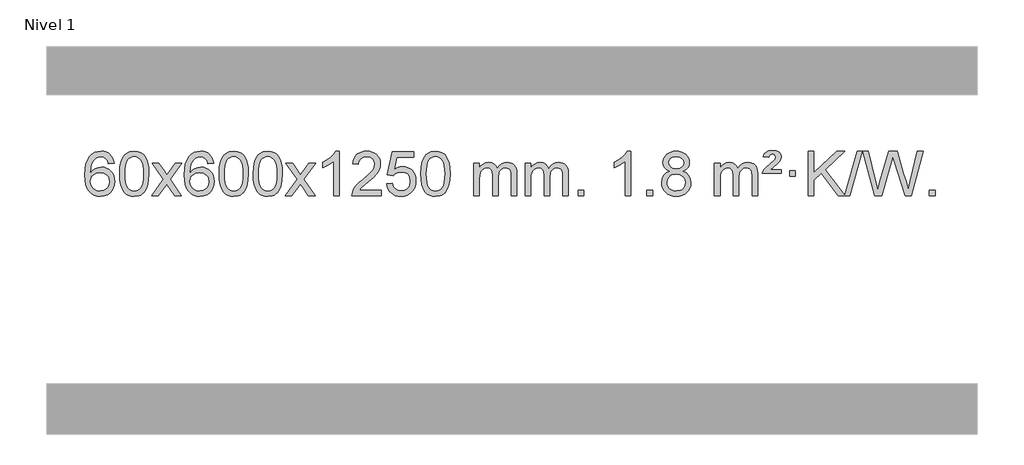
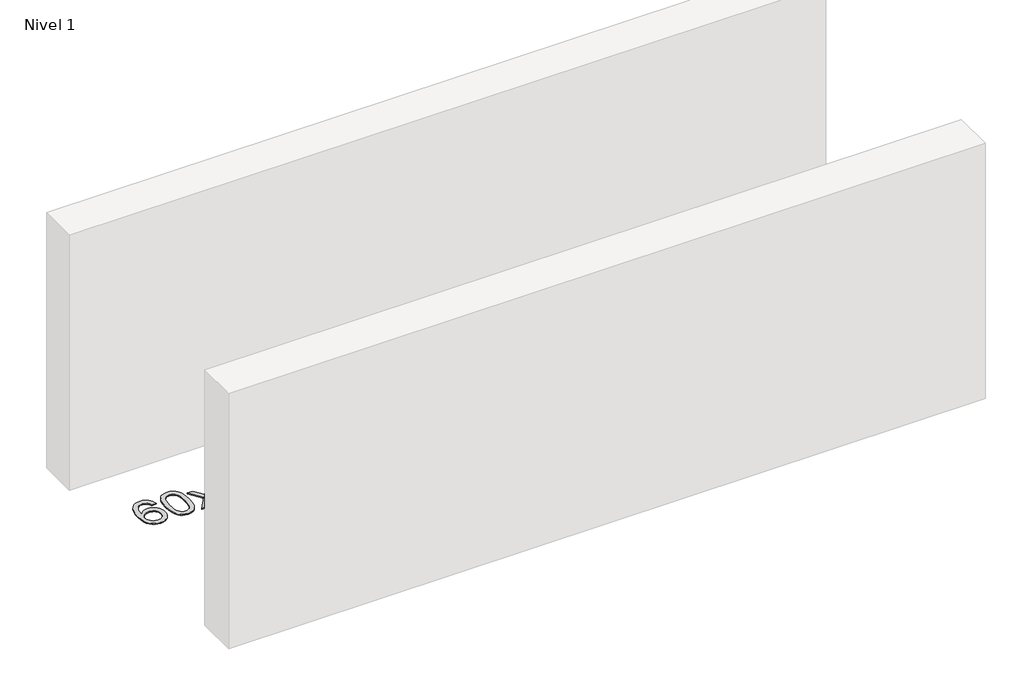
# One storey, part 6 of 8: 1 proxy.
"""IFC4 building model written with IfcOpenShell, lengths in millimetres."""

from ifc_helpers import new_model, si_unit, origin, origin_with_axes, place, context, project, spatial, polyline, outline, extrude, element, save

model = new_model("IFC4")

# Units and contexts
model_context = context("Model", 3, world=origin())
ifc_project = project(units=[si_unit("LENGTHUNIT", "METRE", prefix="MILLI")], contexts=[model_context])

# Site, building, storey
site = spatial("IfcSite", under=ifc_project)
building = spatial("IfcBuilding", under=site)
storey = spatial("IfcBuildingStorey", under=building, Name="Nivel 1", Elevation=0.0)

# Proxy
placement = place(None, origin())
element("IfcBuildingElementProxy", 1, Name="Texto de modelo 1", ObjectType="Texto de modelo 1", at=placement, inside=storey, context=model_context, shape_type="SweptSolid", body=[
    extrude(outline(polyline([(-25568.7310862, 5929.5109581), (-25618.9592412, 5923.2324387), (-25627.0526451, 5948.125787), (-25637.9910031, 5965.1219352), (-25660.7751614, 5980.7937082), (-25688.3172601, 5986.0176325), (-25711.665504, 5982.9764747), (-25733.6403219, 5973.8530012), (-25752.5126682, 5954.6372983), (-25767.9269238, 5928.1865829), (-25778.3379843, 5890.772984), (-25782.2007452, 5838.6686307), (-25762.0530746, 5862.1762902), (-25737.907753, 5878.7432427), (-25711.113681, 5888.565692), (-25683.0197593, 5891.8398418), (-25658.8867005, 5889.601893), (-25636.617577, 5882.8880466), (-25616.212389, 5871.6983025), (-25597.6711365, 5856.0326609), (-25582.2630122, 5836.8230894), (-25571.2572092, 5815.0015557), (-25564.6537274, 5790.5680599), (-25562.4525668, 5763.5226018), (-25566.5973706, 5727.5560055), (-25579.031782, 5694.213634), (-25598.7257315, 5665.9357713), (-25624.6491494, 5645.1627013), (-25655.6248134, 5632.397196), (-25690.4755011, 5628.1420276), (-25720.4180298, 5630.9624563), (-25747.4604222, 5639.4237421), (-25771.6026781, 5653.5258853), (-25792.8447976, 5673.2688857), (-25810.1628426, 5699.4866092), (-25822.5328746, 5733.0129217), (-25829.9548939, 5773.8478232), (-25832.4289003, 5821.9913136), (-25829.6820481, 5875.9657337), (-25821.4414914, 5922.0306908), (-25807.7072302, 5960.1861851), (-25788.4792646, 5990.4322165), (-25767.6387496, 6010.4756538), (-25743.4750339, 6024.7923948), (-25715.9881175, 6033.3824394), (-25685.1780004, 6036.2457876), (-25662.0443542, 6034.4738227), (-25641.1057374, 6029.1579278), (-25622.3621497, 6020.2981031), (-25605.8135913, 6007.8943485), (-25591.9076519, 5992.3635969), (-25581.0919212, 5974.1227814), (-25573.3663993, 5953.1719017), (-25568.7310862, 5929.5109581)]), holes=[polyline([(-25782.2007452, 5764.3074168), (-25779.2944775, 5742.0505561), (-25770.5756742, 5720.7992395), (-25757.0376168, 5702.527767), (-25739.6735866, 5689.2104388), (-25718.7165756, 5681.0802467), (-25694.3995757, 5678.3701827), (-25661.253408, 5683.9865145), (-25647.3382715, 5691.0069292), (-25635.1951, 5700.8355099), (-25625.3450595, 5713.0737176), (-25618.3093164, 5727.3230135), (-25612.6807219, 5761.8548701), (-25618.23574, 5795.0010379), (-25625.1795126, 5808.6218688), (-25634.9007944, 5820.274531), (-25647.0807541, 5829.6095366), (-25661.4005608, 5836.2773978), (-25696.4597149, 5841.6116867), (-25729.5568317, 5836.2773978), (-25757.2338205, 5820.274531), (-25768.1568501, 5808.7751529), (-25775.9590141, 5795.6141746), (-25780.6403124, 5780.7915958), (-25782.2007452, 5764.3074168)])]), origin_with_axes(), (0.0, 0.0, 1.0), 10.0),
    extrude(outline(polyline([(-25518.5029311, 5832.0958057), (-25514.8118484, 5896.4138412), (-25503.7386004, 5947.7088541), (-25485.3935515, 5986.7656593), (-25473.5354886, 6001.9990395), (-25459.8870665, 6014.3690716), (-25444.4023002, 6023.9401349), (-25427.0352044, 6030.7766086), (-25386.654024, 6036.2457876), (-25355.7028855, 6033.008426), (-25327.9891085, 6023.2963414), (-25304.8125428, 6007.4896783), (-25287.4730381, 5985.9685816), (-25274.3764391, 5958.9169922), (-25263.9285904, 5926.5188512), (-25257.0859853, 5885.3773814), (-25254.805117, 5832.0958057), (-25258.4594114, 5768.1456523), (-25269.4222949, 5716.9732667), (-25287.6569791, 5677.8796734), (-25299.487451, 5662.6003078), (-25313.1266759, 5650.1658964), (-25328.6298363, 5640.5304538), (-25346.0521145, 5633.6479948), (-25386.654024, 5628.1420276), (-25414.3187501, 5630.5332606), (-25438.8442164, 5637.7069595), (-25460.2304231, 5649.6631243), (-25478.47737, 5666.4017551), (-25495.988553, 5696.6600492), (-25508.4965408, 5734.3618224), (-25516.0013335, 5779.5070745), (-25518.5029311, 5832.0958057)]), holes=[polyline([(-25468.274776, 5832.1939076), (-25466.803248, 5788.5293805), (-25462.3886641, 5753.1851178), (-25455.0310242, 5726.1611196), (-25444.7303283, 5707.4573858), (-25432.2713914, 5694.7317344), (-25418.4390284, 5685.6419835), (-25403.2332393, 5680.1881329), (-25386.654024, 5678.3701827), (-25370.0748088, 5680.1942643), (-25354.8690196, 5685.6665089), (-25341.0366566, 5694.7869167), (-25328.5777197, 5707.5554876), (-25318.2770239, 5726.2898783), (-25310.919384, 5753.3077451), (-25306.5048, 5788.6090882), (-25305.033272, 5832.1939076), (-25306.4557491, 5874.7026722), (-25310.7231802, 5909.4246011), (-25317.8355655, 5936.3596945), (-25327.7929048, 5955.5079524), (-25340.0433752, 5968.8559375), (-25354.0351538, 5978.3902125), (-25369.7682404, 5984.1107775), (-25387.2426352, 5986.0176325), (-25403.7360113, 5984.3376381), (-25418.6842831, 5979.2976548), (-25432.0874504, 5970.8976825), (-25443.9455134, 5959.1377214), (-25454.5895658, 5938.291075), (-25462.1924604, 5910.1848906), (-25466.7541971, 5874.8191681), (-25468.274776, 5832.1939076)])]), origin_with_axes(), (0.0, 0.0, 1.0), 10.0),
    extrude(outline(polyline([(-25229.6910394, 5634.420547), (-25122.3675987, 5782.7505675), (-25223.41252, 5929.5109581), (-25162.981771, 5929.5109581), (-25114.2251439, 5858.877615), (-25091.4655111, 5825.5229808), (-25071.7470362, 5852.7952993), (-25016.2213804, 5929.5109581), (-24955.7906313, 5929.5109581), (-25061.9368496, 5782.7505675), (-24959.7147059, 5634.420547), (-25020.145455, 5634.420547), (-25081.6553246, 5723.5951426), (-25092.9370391, 5739.8800523), (-25169.2602903, 5634.420547), (-25229.6910394, 5634.420547)])), origin_with_axes(), (0.0, 0.0, 1.0), 10.0),
    extrude(outline(polyline([(-24670.9028142, 5929.5109581), (-24721.1309693, 5923.2324387), (-24729.2243732, 5948.125787), (-24740.1627312, 5965.1219352), (-24762.9468894, 5980.7937082), (-24790.4889881, 5986.0176325), (-24813.8372321, 5982.9764747), (-24835.8120499, 5973.8530012), (-24854.6843963, 5954.6372983), (-24870.0986519, 5928.1865829), (-24880.5097123, 5890.772984), (-24884.3724733, 5838.6686307), (-24864.2248027, 5862.1762902), (-24840.0794811, 5878.7432427), (-24813.2854091, 5888.565692), (-24785.1914874, 5891.8398418), (-24761.0584285, 5889.601893), (-24738.7893051, 5882.8880466), (-24718.3841171, 5871.6983025), (-24699.8428645, 5856.0326609), (-24684.4347403, 5836.8230894), (-24673.4289372, 5815.0015557), (-24666.8254554, 5790.5680599), (-24664.6242948, 5763.5226018), (-24668.7690986, 5727.5560055), (-24681.2035101, 5694.213634), (-24700.8974596, 5665.9357713), (-24726.8208775, 5645.1627013), (-24757.7965415, 5632.397196), (-24792.6472291, 5628.1420276), (-24822.5897579, 5630.9624563), (-24849.6321502, 5639.4237421), (-24873.7744061, 5653.5258853), (-24895.0165257, 5673.2688857), (-24912.3345706, 5699.4866092), (-24924.7046027, 5733.0129217), (-24932.1266219, 5773.8478232), (-24934.6006284, 5821.9913136), (-24931.8537761, 5875.9657337), (-24923.6132194, 5922.0306908), (-24909.8789583, 5960.1861851), (-24890.6509927, 5990.4322165), (-24869.8104776, 6010.4756538), (-24845.6467619, 6024.7923948), (-24818.1598455, 6033.3824394), (-24787.3497284, 6036.2457876), (-24764.2160823, 6034.4738227), (-24743.2774654, 6029.1579278), (-24724.5338777, 6020.2981031), (-24707.9853193, 6007.8943485), (-24694.0793799, 5992.3635969), (-24683.2636492, 5974.1227814), (-24675.5381274, 5953.1719017), (-24670.9028142, 5929.5109581)]), holes=[polyline([(-24884.3724733, 5764.3074168), (-24881.4662055, 5742.0505561), (-24872.7474022, 5720.7992395), (-24859.2093448, 5702.527767), (-24841.8453146, 5689.2104388), (-24820.8883036, 5681.0802467), (-24796.5713038, 5678.3701827), (-24763.425136, 5683.9865145), (-24749.5099995, 5691.0069292), (-24737.366828, 5700.8355099), (-24727.5167876, 5713.0737176), (-24720.4810444, 5727.3230135), (-24714.8524499, 5761.8548701), (-24720.407468, 5795.0010379), (-24727.3512407, 5808.6218688), (-24737.0725224, 5820.274531), (-24749.2524821, 5829.6095366), (-24763.5722888, 5836.2773978), (-24798.6314429, 5841.6116867), (-24831.7285598, 5836.2773978), (-24859.4055485, 5820.274531), (-24870.3285781, 5808.7751529), (-24878.1307421, 5795.6141746), (-24882.8120405, 5780.7915958), (-24884.3724733, 5764.3074168)])]), origin_with_axes(), (0.0, 0.0, 1.0), 10.0),
    extrude(outline(polyline([(-24620.6746591, 5832.0958057), (-24616.9835765, 5896.4138412), (-24605.9103284, 5947.7088541), (-24587.5652796, 5986.7656593), (-24575.7072166, 6001.9990395), (-24562.0587946, 6014.3690716), (-24546.5740283, 6023.9401349), (-24529.2069324, 6030.7766086), (-24488.8257521, 6036.2457876), (-24457.8746135, 6033.008426), (-24430.1608366, 6023.2963414), (-24406.9842709, 6007.4896783), (-24389.6447662, 5985.9685816), (-24376.5481671, 5958.9169922), (-24366.1003185, 5926.5188512), (-24359.2577134, 5885.3773814), (-24356.976845, 5832.0958057), (-24360.6311395, 5768.1456523), (-24371.5940229, 5716.9732667), (-24389.8287072, 5677.8796734), (-24401.659179, 5662.6003078), (-24415.298404, 5650.1658964), (-24430.8015644, 5640.5304538), (-24448.2238425, 5633.6479948), (-24488.8257521, 5628.1420276), (-24516.4904781, 5630.5332606), (-24541.0159444, 5637.7069595), (-24562.4021511, 5649.6631243), (-24580.6490981, 5666.4017551), (-24598.160281, 5696.6600492), (-24610.6682689, 5734.3618224), (-24618.1730616, 5779.5070745), (-24620.6746591, 5832.0958057)]), holes=[polyline([(-24570.4465041, 5832.1939076), (-24568.9749761, 5788.5293805), (-24564.5603921, 5753.1851178), (-24557.2027522, 5726.1611196), (-24546.9020564, 5707.4573858), (-24534.4431195, 5694.7317344), (-24520.6107564, 5685.6419835), (-24505.4049673, 5680.1881329), (-24488.8257521, 5678.3701827), (-24472.2465368, 5680.1942643), (-24457.0407477, 5685.6665089), (-24443.2083847, 5694.7869167), (-24430.7494478, 5707.5554876), (-24420.4487519, 5726.2898783), (-24413.091112, 5753.3077451), (-24408.676528, 5788.6090882), (-24407.2050001, 5832.1939076), (-24408.6274771, 5874.7026722), (-24412.8949083, 5909.4246011), (-24420.0072935, 5936.3596945), (-24429.9646328, 5955.5079524), (-24442.2151033, 5968.8559375), (-24456.2068818, 5978.3902125), (-24471.9399685, 5984.1107775), (-24489.4143633, 5986.0176325), (-24505.9077394, 5984.3376381), (-24520.8560111, 5979.2976548), (-24534.2591785, 5970.8976825), (-24546.1172414, 5959.1377214), (-24556.7612938, 5938.291075), (-24564.3641884, 5910.1848906), (-24568.9259251, 5874.8191681), (-24570.4465041, 5832.1939076)])]), origin_with_axes(), (0.0, 0.0, 1.0), 10.0),
    extrude(outline(polyline([(-24313.0272093, 5832.0958057), (-24309.3361266, 5896.4138412), (-24298.2628786, 5947.7088541), (-24279.9178297, 5986.7656593), (-24268.0597668, 6001.9990395), (-24254.4113447, 6014.3690716), (-24238.9265784, 6023.9401349), (-24221.5594826, 6030.7766086), (-24181.1783022, 6036.2457876), (-24150.2271637, 6033.008426), (-24122.5133867, 6023.2963414), (-24099.336821, 6007.4896783), (-24081.9973163, 5985.9685816), (-24068.9007173, 5958.9169922), (-24058.4528686, 5926.5188512), (-24051.6102635, 5885.3773814), (-24049.3293952, 5832.0958057), (-24052.9836896, 5768.1456523), (-24063.9465731, 5716.9732667), (-24082.1812573, 5677.8796734), (-24094.0117292, 5662.6003078), (-24107.6509541, 5650.1658964), (-24123.1541145, 5640.5304538), (-24140.5763927, 5633.6479948), (-24181.1783022, 5628.1420276), (-24208.8430283, 5630.5332606), (-24233.3684946, 5637.7069595), (-24254.7547013, 5649.6631243), (-24273.0016482, 5666.4017551), (-24290.5128312, 5696.6600492), (-24303.020819, 5734.3618224), (-24310.5256117, 5779.5070745), (-24313.0272093, 5832.0958057)]), holes=[polyline([(-24262.7990542, 5832.1939076), (-24261.3275262, 5788.5293805), (-24256.9129423, 5753.1851178), (-24249.5553024, 5726.1611196), (-24239.2546065, 5707.4573858), (-24226.7956696, 5694.7317344), (-24212.9633066, 5685.6419835), (-24197.7575175, 5680.1881329), (-24181.1783022, 5678.3701827), (-24164.599087, 5680.1942643), (-24149.3932978, 5685.6665089), (-24135.5609348, 5694.7869167), (-24123.1019979, 5707.5554876), (-24112.8013021, 5726.2898783), (-24105.4436622, 5753.3077451), (-24101.0290782, 5788.6090882), (-24099.5575502, 5832.1939076), (-24100.9800273, 5874.7026722), (-24105.2474584, 5909.4246011), (-24112.3598437, 5936.3596945), (-24122.317183, 5955.5079524), (-24134.5676534, 5968.8559375), (-24148.559432, 5978.3902125), (-24164.2925187, 5984.1107775), (-24181.7669134, 5986.0176325), (-24198.2602895, 5984.3376381), (-24213.2085613, 5979.2976548), (-24226.6117286, 5970.8976825), (-24238.4697916, 5959.1377214), (-24249.113844, 5938.291075), (-24256.7167386, 5910.1848906), (-24261.2784753, 5874.8191681), (-24262.7990542, 5832.1939076)])]), origin_with_axes(), (0.0, 0.0, 1.0), 10.0),
    extrude(outline(polyline([(-24024.2153176, 5634.420547), (-23916.8918769, 5782.7505675), (-24017.9367982, 5929.5109581), (-23957.5060492, 5929.5109581), (-23908.7494221, 5858.877615), (-23885.9897893, 5825.5229808), (-23866.2713144, 5852.7952993), (-23810.7456586, 5929.5109581), (-23750.3149095, 5929.5109581), (-23856.4611278, 5782.7505675), (-23754.2389841, 5634.420547), (-23814.6697332, 5634.420547), (-23876.1796028, 5723.5951426), (-23887.4613173, 5739.8800523), (-23963.7845685, 5634.420547), (-24024.2153176, 5634.420547)])), origin_with_axes(), (0.0, 0.0, 1.0), 10.0),
    extrude(outline(polyline([(-23534.4908056, 5634.420547), (-23584.7189607, 5634.420547), (-23584.7189607, 5947.5617013), (-23605.6882344, 5930.6023413), (-23632.2983654, 5913.6675068), (-23685.1752709, 5888.3081746), (-23685.1752709, 5935.7894775), (-23645.7260583, 5957.2492605), (-23611.5498209, 5982.780271), (-23584.6085961, 6009.9299622), (-23566.8644212, 6036.2457876), (-23534.4908056, 6036.2457876), (-23534.4908056, 5634.420547)])), origin_with_axes(), (0.0, 0.0, 1.0), 10.0),
    extrude(outline(polyline([(-23157.7796426, 5684.6487021), (-23157.7796426, 5634.420547), (-23421.4774567, 5634.420547), (-23420.3738107, 5652.1034082), (-23416.0818541, 5669.0505055), (-23403.6964936, 5696.1143576), (-23385.572174, 5722.3688693), (-23359.3544505, 5749.8496544), (-23322.6888783, 5780.5923264), (-23268.4875977, 5828.7358169), (-23235.9668293, 5864.2732176), (-23219.7064451, 5893.115166), (-23214.286317, 5921.1722995), (-23219.3998768, 5946.3231653), (-23234.740556, 5967.2311253), (-23258.3217919, 5981.3210057), (-23288.1570217, 5986.0176325), (-23319.4883049, 5981.4313703), (-23343.8298303, 5967.6725837), (-23359.5383915, 5945.8203932), (-23364.9707823, 5916.9539193), (-23415.1989373, 5923.2324387), (-23410.8793896, 5949.161988), (-23403.0220433, 5971.8173875), (-23391.6268985, 5991.1986373), (-23376.6939552, 6007.3057373), (-23358.5665699, 6019.9670093), (-23337.5880991, 6029.010775), (-23313.7585429, 6034.4370345), (-23287.0779012, 6036.2457876), (-23260.1581362, 6034.2346994), (-23236.1998212, 6028.2014346), (-23215.2029563, 6018.1459934), (-23197.1675415, 6004.0683758), (-23182.682188, 5987.0109139), (-23172.3355069, 5968.0159402), (-23166.1274982, 5947.0834547), (-23164.058162, 5924.2134573), (-23166.2899794, 5900.1907631), (-23172.9854317, 5876.5850017), (-23184.8680202, 5852.5745701), (-23202.661246, 5827.3378653), (-23231.0249478, 5797.2083299), (-23274.6189643, 5758.5194067), (-23332.400963, 5710.204238), (-23355.0624939, 5684.6487021), (-23157.7796426, 5684.6487021)])), origin_with_axes(), (0.0, 0.0, 1.0), 10.0),
    extrude(outline(polyline([(-23107.5514875, 5741.1553765), (-23057.3233324, 5747.4338959), (-23048.1017571, 5717.2798351), (-23032.0130512, 5695.6851619), (-23009.1307911, 5682.6989275), (-22979.5285532, 5678.3701827), (-22960.3986894, 5679.8754332), (-22943.5251686, 5684.3911847), (-22928.9079907, 5691.9174372), (-22916.5471556, 5702.4541906), (-22906.718575, 5715.480279), (-22899.6981602, 5730.4745359), (-22894.0818284, 5766.3675559), (-22899.342541, 5800.1636486), (-22905.9184316, 5814.0818507), (-22915.1246786, 5826.0134901), (-22926.9919386, 5835.5845533), (-22941.5508686, 5842.4210271), (-22978.7437383, 5847.8902061), (-23003.1097891, 5845.7074396), (-23022.8405268, 5839.1591401), (-23038.5981389, 5829.1282243), (-23051.044813, 5816.4976092), (-23101.2729681, 5822.7761285), (-23057.3233324, 6029.9672682), (-22862.6892315, 6029.9672682), (-22862.6892315, 5979.7391131), (-23016.7091602, 5979.7391131), (-23038.1934687, 5869.080209), (-23020.4676879, 5881.7844006), (-23002.3127114, 5890.8588231), (-22983.7285393, 5896.3034766), (-22964.7151715, 5898.1183612), (-22940.2540845, 5895.8681496), (-22917.7856917, 5889.117515), (-22897.3099929, 5877.8664573), (-22878.8269884, 5862.1149766), (-22863.5261631, 5842.8256973), (-22852.5970021, 5820.961244), (-22846.0395056, 5796.5216168), (-22843.8536734, 5769.5068156), (-22845.821842, 5743.4852958), (-22851.7263481, 5719.2786606), (-22861.5671914, 5696.8869098), (-22875.3443722, 5676.3100435), (-22896.215544, 5655.2365366), (-22920.5693321, 5640.1840316), (-22948.4057364, 5631.1525286), (-22979.7247569, 5628.1420276), (-23005.6451092, 5630.0764738), (-23029.0577325, 5635.8798123), (-23049.9626268, 5645.552043), (-23068.3597923, 5659.0931662), (-23083.666749, 5675.8287312), (-23095.3010171, 5695.084288), (-23103.2625966, 5716.8598364), (-23107.5514875, 5741.1553765)])), origin_with_axes(), (0.0, 0.0, 1.0), 10.0),
    extrude(outline(polyline([(-22799.9040377, 5832.0958057), (-22796.212955, 5896.4138412), (-22785.1397069, 5947.7088541), (-22766.7946581, 5986.7656593), (-22754.9365951, 6001.9990395), (-22741.2881731, 6014.3690716), (-22725.8034068, 6023.9401349), (-22708.4363109, 6030.7766086), (-22668.0551306, 6036.2457876), (-22637.1039921, 6033.008426), (-22609.3902151, 6023.2963414), (-22586.2136494, 6007.4896783), (-22568.8741447, 5985.9685816), (-22555.7775457, 5958.9169922), (-22545.329697, 5926.5188512), (-22538.4870919, 5885.3773814), (-22536.2062235, 5832.0958057), (-22539.860518, 5768.1456523), (-22550.8234015, 5716.9732667), (-22569.0580857, 5677.8796734), (-22580.8885575, 5662.6003078), (-22594.5277825, 5650.1658964), (-22610.0309429, 5640.5304538), (-22627.4532211, 5633.6479948), (-22668.0551306, 5628.1420276), (-22695.7198566, 5630.5332606), (-22720.245323, 5637.7069595), (-22741.6315296, 5649.6631243), (-22759.8784766, 5666.4017551), (-22777.3896596, 5696.6600492), (-22789.8976474, 5734.3618224), (-22797.4024401, 5779.5070745), (-22799.9040377, 5832.0958057)]), holes=[polyline([(-22749.6758826, 5832.1939076), (-22748.2043546, 5788.5293805), (-22743.7897707, 5753.1851178), (-22736.4321308, 5726.1611196), (-22726.1314349, 5707.4573858), (-22713.672498, 5694.7317344), (-22699.840135, 5685.6419835), (-22684.6343459, 5680.1881329), (-22668.0551306, 5678.3701827), (-22651.4759154, 5680.1942643), (-22636.2701262, 5685.6665089), (-22622.4377632, 5694.7869167), (-22609.9788263, 5707.5554876), (-22599.6781304, 5726.2898783), (-22592.3204905, 5753.3077451), (-22587.9059066, 5788.6090882), (-22586.4343786, 5832.1939076), (-22587.8568557, 5874.7026722), (-22592.1242868, 5909.4246011), (-22599.236672, 5936.3596945), (-22609.1940114, 5955.5079524), (-22621.4444818, 5968.8559375), (-22635.4362604, 5978.3902125), (-22651.169347, 5984.1107775), (-22668.6437418, 5986.0176325), (-22685.1371179, 5984.3376381), (-22700.0853897, 5979.2976548), (-22713.488557, 5970.8976825), (-22725.34662, 5959.1377214), (-22735.9906724, 5938.291075), (-22743.5935669, 5910.1848906), (-22748.1553037, 5874.8191681), (-22749.6758826, 5832.1939076)])]), origin_with_axes(), (0.0, 0.0, 1.0), 10.0),
    extrude(outline(polyline([(-22322.7365645, 5634.420547), (-22322.7365645, 5929.5109581), (-22272.5084094, 5929.5109581), (-22272.5084094, 5880.9505347), (-22257.4007221, 5903.2564463), (-22237.9765528, 5920.7308411), (-22214.8980889, 5932.0248184), (-22188.8275182, 5935.7894775), (-22160.8930121, 5931.951242), (-22138.5012613, 5920.4365355), (-22121.7748932, 5902.0056476), (-22110.8365352, 5877.4188676), (-22092.5282746, 5902.9560094), (-22071.64484, 5921.196825), (-22048.1862315, 5932.1413143), (-22022.1524489, 5935.7894775), (-22002.0446322, 5934.2719642), (-21984.3954935, 5929.7194245), (-21969.2050328, 5922.1318584), (-21956.4732501, 5911.5092658), (-21946.4086118, 5897.7290194), (-21939.2195845, 5880.6684918), (-21934.9061681, 5860.3276832), (-21933.4683626, 5836.7065934), (-21933.4683626, 5634.420547), (-21983.6965177, 5634.420547), (-21983.6965177, 5815.124183), (-21984.8614774, 5840.1769469), (-21988.3563563, 5857.0627305), (-21994.9046558, 5868.6264879), (-22005.2298772, 5877.7131732), (-22018.5104172, 5883.5992851), (-22033.9246728, 5885.5613224), (-22061.1356777, 5880.5336018), (-22083.318962, 5865.45044), (-22091.924335, 5853.8805512), (-22098.07103, 5839.2817674), (-22102.988386, 5800.9975144), (-22102.988386, 5634.420547), (-22153.2165411, 5634.420547), (-22153.2165411, 5820.7159894), (-22156.1228088, 5849.1164794), (-22164.8416121, 5869.3745146), (-22180.1822913, 5881.5146204), (-22202.9541868, 5885.5613224), (-22222.3047798, 5882.8635211), (-22240.1347938, 5874.7701172), (-22254.8500736, 5861.4773144), (-22264.8564639, 5843.1813165), (-22270.595423, 5817.7974589), (-22272.5084094, 5783.2410768), (-22272.5084094, 5634.420547), (-22322.7365645, 5634.420547)])), origin_with_axes(), (0.0, 0.0, 1.0), 10.0),
    extrude(outline(polyline([(-21858.12613, 5634.420547), (-21858.12613, 5929.5109581), (-21807.8979749, 5929.5109581), (-21807.8979749, 5880.9505347), (-21792.7902877, 5903.2564463), (-21773.3661183, 5920.7308411), (-21750.2876545, 5932.0248184), (-21724.2170838, 5935.7894775), (-21696.2825776, 5931.951242), (-21673.8908268, 5920.4365355), (-21657.1644588, 5902.0056476), (-21646.2261008, 5877.4188676), (-21627.9178402, 5902.9560094), (-21607.0344056, 5921.196825), (-21583.575797, 5932.1413143), (-21557.5420145, 5935.7894775), (-21537.4341978, 5934.2719642), (-21519.7850591, 5929.7194245), (-21504.5945983, 5922.1318584), (-21491.8628156, 5911.5092658), (-21481.7981774, 5897.7290194), (-21474.6091501, 5880.6684918), (-21470.2957337, 5860.3276832), (-21468.8579282, 5836.7065934), (-21468.8579282, 5634.420547), (-21519.0860833, 5634.420547), (-21519.0860833, 5815.124183), (-21520.2510429, 5840.1769469), (-21523.7459219, 5857.0627305), (-21530.2942214, 5868.6264879), (-21540.6194427, 5877.7131732), (-21553.8999827, 5883.5992851), (-21569.3142383, 5885.5613224), (-21596.5252433, 5880.5336018), (-21618.7085276, 5865.45044), (-21627.3139006, 5853.8805512), (-21633.4605956, 5839.2817674), (-21638.3779516, 5800.9975144), (-21638.3779516, 5634.420547), (-21688.6061066, 5634.420547), (-21688.6061066, 5820.7159894), (-21691.5123744, 5849.1164794), (-21700.2311777, 5869.3745146), (-21715.5718569, 5881.5146204), (-21738.3437524, 5885.5613224), (-21757.6943453, 5882.8635211), (-21775.5243594, 5874.7701172), (-21790.2396392, 5861.4773144), (-21800.2460294, 5843.1813165), (-21805.9849886, 5817.7974589), (-21807.8979749, 5783.2410768), (-21807.8979749, 5634.420547), (-21858.12613, 5634.420547)])), origin_with_axes(), (0.0, 0.0, 1.0), 10.0),
    extrude(outline(polyline([(-21380.9586568, 5634.420547), (-21380.9586568, 5684.6487021), (-21330.7305017, 5684.6487021), (-21330.7305017, 5634.420547), (-21380.9586568, 5634.420547)])), origin_with_axes(), (0.0, 0.0, 1.0), 10.0),
    extrude(outline(polyline([(-20903.7911836, 5634.420547), (-20954.0193387, 5634.420547), (-20954.0193387, 5947.5617013), (-20974.9886124, 5930.6023413), (-21001.5987434, 5913.6675068), (-21054.4756488, 5888.3081746), (-21054.4756488, 5935.7894775), (-21015.0264362, 5957.2492605), (-20980.8501989, 5982.780271), (-20953.9089741, 6009.9299622), (-20936.1647992, 6036.2457876), (-20903.7911836, 6036.2457876), (-20903.7911836, 5634.420547)])), origin_with_axes(), (0.0, 0.0, 1.0), 10.0),
    extrude(outline(polyline([(-20759.3852378, 5634.420547), (-20759.3852378, 5684.6487021), (-20709.1570827, 5684.6487021), (-20709.1570827, 5634.420547), (-20759.3852378, 5634.420547)])), origin_with_axes(), (0.0, 0.0, 1.0), 10.0),
    extrude(outline(polyline([(-20554.3523391, 5855.7383553), (-20581.244513, 5868.9821071), (-20600.1168593, 5886.9347485), (-20611.2636838, 5909.2283974), (-20614.9792919, 5935.4951719), (-20612.9559409, 5955.9800676), (-20606.885888, 5974.7604435), (-20596.7691332, 5991.8362994), (-20582.6056763, 6007.2076355), (-20565.0760993, 6019.911827), (-20544.8609836, 6028.9862496), (-20521.9603294, 6034.4309031), (-20496.3741367, 6036.2457876), (-20470.6653166, 6034.3879835), (-20447.5929841, 6028.8145713), (-20427.1571393, 6019.5255509), (-20409.3577821, 6006.5209224), (-20394.9368079, 5990.8491494), (-20384.636112, 5973.5586956), (-20378.4556945, 5954.6495611), (-20376.3955553, 5934.1217457), (-20380.0621125, 5908.7010999), (-20391.0617842, 5886.7875957), (-20409.5171976, 5868.9453189), (-20435.5509801, 5855.7383553), (-20404.6366298, 5839.8090649), (-20382.1345144, 5816.3504564), (-20368.412516, 5786.4907011), (-20363.8385165, 5751.3579705), (-20366.1071222, 5726.3052067), (-20372.9129391, 5703.3371074), (-20384.2559673, 5682.4536728), (-20400.1362067, 5663.6549029), (-20419.7197916, 5648.11802), (-20442.1728561, 5637.0202464), (-20467.4954001, 5630.3615823), (-20495.6874236, 5628.1420276), (-20523.8794472, 5630.3707794), (-20549.2019912, 5637.0570346), (-20571.6550556, 5648.2007934), (-20591.2386405, 5663.8020557), (-20607.11888, 5682.73265), (-20618.4619081, 5703.864405), (-20625.2677251, 5727.1973205), (-20627.5363307, 5752.7313967), (-20622.7783902, 5789.2252906), (-20608.5045688, 5819.2444614), (-20585.4506304, 5841.7588395), (-20554.3523391, 5855.7383553)]), holes=[polyline([(-20577.3081756, 5754.4972302), (-20575.2112482, 5735.2815274), (-20568.9204661, 5716.6789611), (-20557.3076578, 5700.4553651), (-20539.2446518, 5688.376573), (-20517.6131905, 5680.8717803), (-20495.2950162, 5678.3701827), (-20461.1065161, 5683.6308952), (-20447.2128394, 5690.2067859), (-20435.4528783, 5699.4130328), (-20419.4132233, 5723.3130998), (-20414.0666716, 5752.9276004), (-20419.5849015, 5783.0448731), (-20436.1395913, 5807.4722375), (-20448.2183835, 5816.9145421), (-20462.3818403, 5823.6590453), (-20496.9627479, 5829.0546479), (-20530.6730014, 5823.7326217), (-20544.4103282, 5817.080089), (-20556.0691218, 5807.7665431), (-20571.9984122, 5783.8051625), (-20577.3081756, 5754.4972302)]), polyline([(-20564.7511368, 5934.0236439), (-20560.2997647, 5912.097877), (-20546.9456483, 5894.586694), (-20525.081195, 5883.1087757), (-20495.0988124, 5879.282803), (-20465.8154056, 5883.0842503), (-20444.2820462, 5894.4885921), (-20431.0382943, 5911.4111639), (-20426.6237104, 5931.767301), (-20431.1854471, 5952.8959902), (-20444.8706574, 5970.370385), (-20466.6983224, 5982.1058206), (-20495.6874236, 5986.0176325), (-20524.8604658, 5982.1916598), (-20546.6513427, 5970.7137415), (-20560.2261883, 5953.8892716), (-20564.7511368, 5934.0236439)])]), origin_with_axes(), (0.0, 0.0, 1.0), 10.0),
    extrude(outline(polyline([(-20150.3688575, 5634.420547), (-20150.3688575, 5929.5109581), (-20100.1407024, 5929.5109581), (-20100.1407024, 5880.9505347), (-20085.0330151, 5903.2564463), (-20065.6088458, 5920.7308411), (-20042.530382, 5932.0248184), (-20016.4598112, 5935.7894775), (-19988.5253051, 5931.951242), (-19966.1335543, 5920.4365355), (-19949.4071862, 5902.0056476), (-19938.4688283, 5877.4188676), (-19920.1605676, 5902.9560094), (-19899.277133, 5921.196825), (-19875.8185245, 5932.1413143), (-19849.784742, 5935.7894775), (-19829.6769252, 5934.2719642), (-19812.0277865, 5929.7194245), (-19796.8373258, 5922.1318584), (-19784.1055431, 5911.5092658), (-19774.0409048, 5897.7290194), (-19766.8518775, 5880.6684918), (-19762.5384611, 5860.3276832), (-19761.1006556, 5836.7065934), (-19761.1006556, 5634.420547), (-19811.3288107, 5634.420547), (-19811.3288107, 5815.124183), (-19812.4937704, 5840.1769469), (-19815.9886493, 5857.0627305), (-19822.5369488, 5868.6264879), (-19832.8621702, 5877.7131732), (-19846.1427102, 5883.5992851), (-19861.5569658, 5885.5613224), (-19888.7679707, 5880.5336018), (-19910.951255, 5865.45044), (-19919.556628, 5853.8805512), (-19925.703323, 5839.2817674), (-19930.620679, 5800.9975144), (-19930.620679, 5634.420547), (-19980.8488341, 5634.420547), (-19980.8488341, 5820.7159894), (-19983.7551019, 5849.1164794), (-19992.4739051, 5869.3745146), (-20007.8145843, 5881.5146204), (-20030.5864798, 5885.5613224), (-20049.9370728, 5882.8635211), (-20067.7670868, 5874.7701172), (-20082.4823666, 5861.4773144), (-20092.4887569, 5843.1813165), (-20098.227716, 5817.7974589), (-20100.1407024, 5783.2410768), (-20100.1407024, 5634.420547), (-20150.3688575, 5634.420547)])), origin_with_axes(), (0.0, 0.0, 1.0), 10.0),
    extrude(outline(polyline([(-19717.15102, 5835.3331673), (-19713.3250472, 5851.1520931), (-19704.9863887, 5867.0200698), (-19683.4775547, 5892.1586728), (-19651.520872, 5919.8969753), (-19607.3750326, 5957.273786), (-19600.2381219, 5968.8007552), (-19597.8591517, 5980.6220299), (-19599.7476126, 5992.7130848), (-19605.4129953, 6002.4987459), (-19614.7817234, 6008.973469), (-19627.7802206, 6011.1317101), (-19640.214632, 6009.5130293), (-19649.0683254, 6004.656987), (-19655.4939976, 5995.1901569), (-19660.6443455, 5979.7391131), (-19710.8725006, 5986.0176325), (-19700.0322444, 6011.2298119), (-19683.4039783, 6028.7900458), (-19659.6388014, 6039.0907417), (-19627.3878131, 6042.524307), (-19591.6051577, 6038.3917659), (-19566.8589622, 6025.9941427), (-19552.437988, 6007.6613566), (-19547.6309966, 5985.7233269), (-19551.7267495, 5962.8165414), (-19564.0140081, 5941.1850801), (-19584.5418234, 5921.3685032), (-19621.0111919, 5893.3113697), (-19646.6157787, 5866.7257642), (-19547.6309966, 5866.7257642), (-19547.6309966, 5835.3331673), (-19717.15102, 5835.3331673)])), origin_with_axes(), (0.0, 0.0, 1.0), 10.0),
    extrude(outline(polyline([(-19472.288764, 5810.2190898), (-19472.288764, 5860.4472448), (-19422.0606089, 5860.4472448), (-19422.0606089, 5810.2190898), (-19472.288764, 5810.2190898)])), origin_with_axes(), (0.0, 0.0, 1.0), 10.0),
    extrude(outline(polyline([(-19031.4189809, 5634.420547), (-19184.8502984, 5837.0990009), (-19252.5405855, 5772.5479735), (-19252.5405855, 5634.420547), (-19302.7687406, 5634.420547), (-19302.7687406, 6036.2457876), (-19252.5405855, 6036.2457876), (-19252.5405855, 5839.5515475), (-19046.5266682, 6036.2457876), (-18976.2857326, 6036.2457876), (-19149.2393213, 5871.0422463), (-18974.5857114, 5640.4650668), (-18863.2723837, 6036.2457876), (-18817.9493219, 6036.2457876), (-18930.9626708, 5634.420547), (-18970.0072132, 5634.420547), (-18976.2857326, 5634.420547), (-19031.4189809, 5634.420547)])), origin_with_axes(), (0.0, 0.0, 1.0), 10.0),
    extrude(outline(polyline([(-18703.464445, 5634.420547), (-18813.0442286, 6036.2457876), (-18761.2464437, 6036.2457876), (-18697.6764349, 5772.155566), (-18678.0560618, 5690.6329159), (-18657.0622627, 5762.7377869), (-18577.403548, 6036.2457876), (-18502.7480284, 6036.2457876), (-18444.8679278, 5837.9819177), (-18420.0726814, 5764.4055186), (-18401.8012089, 5690.6329159), (-18382.7694471, 5769.8011212), (-18318.6108271, 6036.2457876), (-18266.8130422, 6036.2457876), (-18376.4909277, 5634.420547), (-18430.152648, 5634.420547), (-18526.4886798, 5944.4224416), (-18539.9286354, 5987.6853642), (-18555.0363227, 5935.5932737), (-18642.8374922, 5634.420547), (-18703.464445, 5634.420547)])), origin_with_axes(), (0.0, 0.0, 1.0), 10.0),
    extrude(outline(polyline([(-18210.3063677, 5634.420547), (-18210.3063677, 5684.6487021), (-18160.0782126, 5684.6487021), (-18160.0782126, 5634.420547), (-18210.3063677, 5634.420547)])), origin_with_axes(), (0.0, 0.0, 1.0), 10.0),
])

save(model, "model.ifc")
